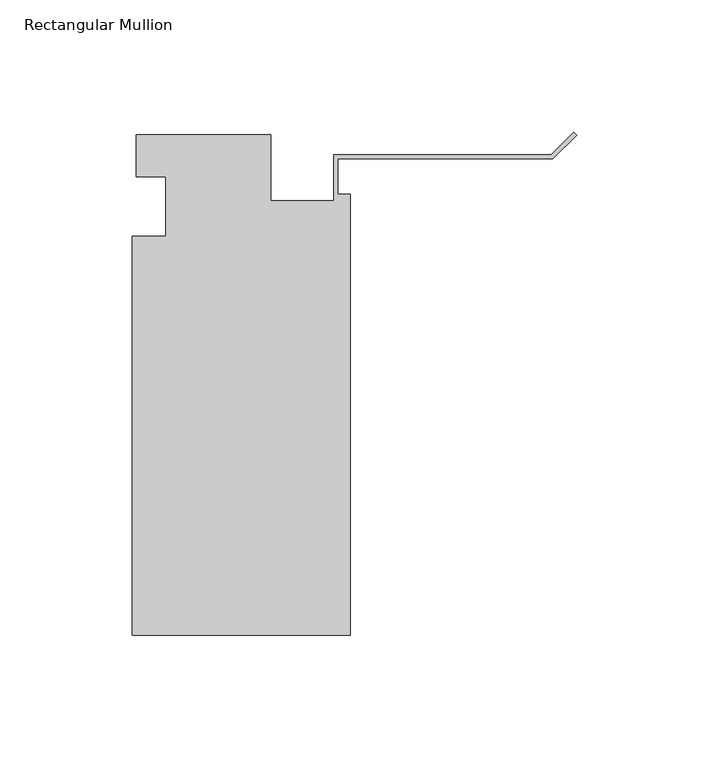
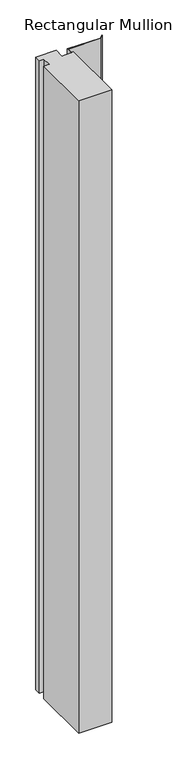
"""IFC4 building model written with IfcOpenShell, lengths in millimetres: member geometry, Rectangular Mullion."""

from ifc_helpers import new_model, si_unit, frame, origin, place, context, project, spatial, polyline, outline, extrude, source, transform, mapped, element, save


def rectangular_mullion_d214a208(model_context):
    return source(origin(), model_context, "Body", "SweptSolid", [
        extrude(outline(polyline([(-166.5396311, 0.3532188), (-115.7396311, 0.3532188), (-115.7396311, -24.5133812), (-91.9271311, -24.5133812), (-91.9271311, -7.1508736), (-9.6378202, -7.1508736), (-1.122532, 1.3644146), (0.0, 0.2418825), (-8.9802561, -8.7383736), (-90.3396311, -8.7383736), (-90.3396311, -22.1257812), (-85.5771311, -22.1257812), (-85.5771311, -188.8132813), (-168.1144311, -188.8132813), (-168.1144311, -38.0007813), (-155.4144311, -38.0007812), (-155.4144311, -15.5217812), (-166.5396311, -15.5217812), (-166.5396311, 0.3532188)])), frame((0.0, 0.0, -1676.4663745), z_axis=(0.0, 0.0, 1.0), x_axis=(1.0, 0.0, 0.0)), (0.0, 0.0, 1.0), 1676.4663745),
    ])


if __name__ == "__main__":
    model = new_model("IFC4")
    model_context = context("Model", 3, world=origin())
    ifc_project = project(units=[si_unit("LENGTHUNIT", "METRE", prefix="MILLI")], contexts=[model_context])
    site = spatial("IfcSite", under=ifc_project)
    building = spatial("IfcBuilding", under=site)
    placement = place(None, origin())
    rectangular_mullion_shape = rectangular_mullion_d214a208(model_context)
    element("IfcMember", 1, ObjectType="Rectangular Mullion", at=placement, inside=building, context=model_context, shape_type="MappedRepresentation", body=[
        mapped(rectangular_mullion_shape, transform((0.0, 0.0, 0.0), x_axis=(1.0, 0.0, 0.0), y_axis=(0.0, 1.0, 0.0), z_axis=(0.0, 0.0, 1.0))),
    ])
    save(model, "model.ifc")
